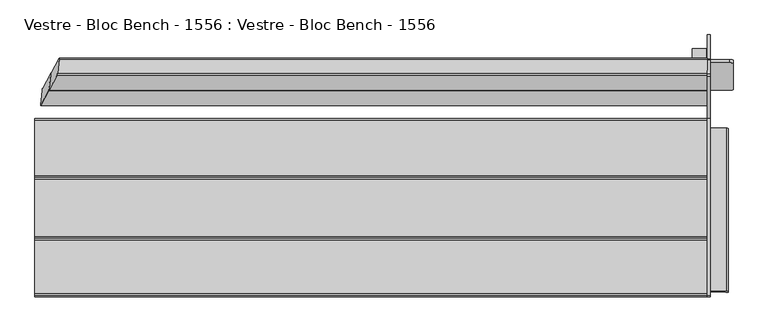
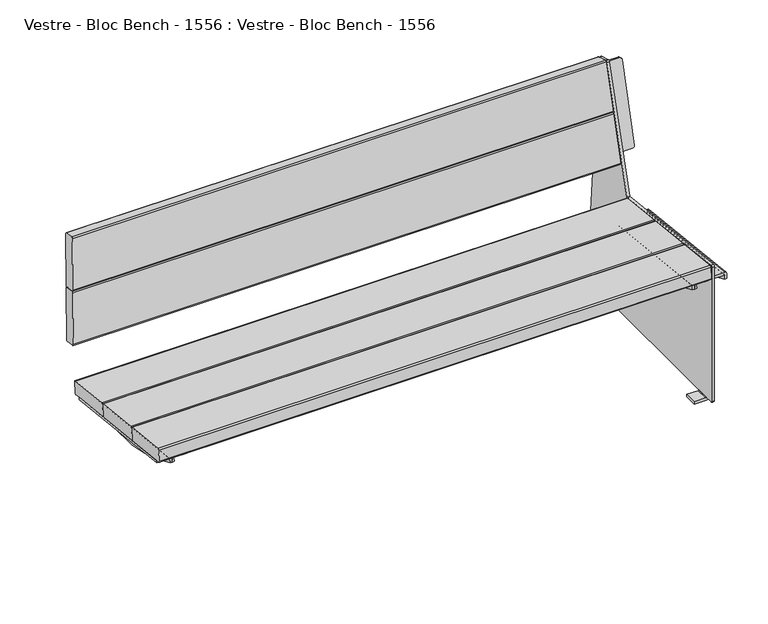
"""IFC4 building model written with IfcOpenShell, lengths in millimetres: furniture geometry, Vestre - Bloc Bench - 1556 : Vestre - Bloc Bench - 1556."""

from ifc_helpers import new_model, si_unit, point, frame, frame_2d, origin, place, context, project, spatial, polyline, circle_curve, ellipse_curve, trimmed, segment, composite_curve, outline, extrude, source, transform, mapped, element, save
from ifc_brep_helpers import plane_surface, cylinder_surface, revolved_surface, advanced_brep


def vestre_bloc_bench_1556_vestre_bloc_bench_1556_9735ced0(model_context):
    return source(origin(), model_context, "Body", "SolidModel", [
        advanced_brep(
        [(858.6003844, -303.3438949, 8.0), (821.9566967, -303.3438949, 8.0), (821.9566967, -303.3438949, 0.0), (859.6603529, -303.3438949, 0.0), (867.597952, -303.3438949, 8.2703475), (867.597952, -303.3438949, 9.9939083), (859.6028254, -303.3438949, 9.9939083), (859.6350395, -303.3438949, 9.0714168), (858.6003844, -263.3438949, 8.0), (859.6350395, -263.3438949, 9.0714168), (859.6028254, -263.3438949, 9.9939083), (867.597952, -263.3438949, 9.9939083), (867.597952, -263.3438949, 8.2703475), (859.6603529, -263.3438949, 0.0), (821.9566967, -263.3438949, 0.0), (821.9566967, -263.3438949, 8.0), (867.597952, 263.3438949, 9.9939083), (867.597952, 263.3438949, 8.2703475), (867.597952, 303.3438949, 8.2703475), (867.597952, 303.3438949, 9.9939083), (867.597952, 333.4689177, 9.9939083), (867.597952, 337.9730339, 14.8728063), (867.597952, 277.1566995, 774.9551128), (867.597952, 274.3468487, 778.4752692), (867.597952, 238.3303782, 789.7481242), (867.597952, 232.0299603, 786.3524949), (867.597952, 124.0037736, 409.002818), (867.597952, -328.5276597, 459.1940384), (867.597952, -333.3438949, 454.8824491), (867.597952, -333.3438949, 13.9003186), (867.597952, -329.4374846, 9.9939083), (867.597952, -319.7193007, 405.3521172), (867.597952, -318.9102447, 412.772865), (867.597952, 98.750138, 367.236938), (867.597952, 97.941082, 359.8161902), (867.597952, 274.7465208, 758.1308321), (867.597952, 204.7655811, 503.5745242), (867.597952, 196.4909665, 505.8493039), (867.597952, 266.4718966, 760.4056371), (859.6028254, -333.3438949, 454.8824491), (859.6028254, -328.5276597, 459.1940384), (859.6028254, 124.0037736, 409.002818), (859.6028254, 232.0299603, 786.3524949), (859.6028254, 238.3303782, 789.7481242), (859.6028254, 274.3468487, 778.4752692), (859.6028254, 277.1566995, 774.9551128), (859.6028254, 337.9730339, 14.8728063), (859.6028254, 333.4689177, 9.9939083), (859.6028254, 303.3438949, 9.9939083), (859.6028254, 263.3438949, 9.9939083), (859.6028254, -329.4374846, 9.9939083), (859.6028254, -333.3438949, 13.9003186), (859.6028254, 204.7656711, 503.5744995), (859.6028254, 274.7466108, 758.1308073), (859.6028254, 266.471912, 760.4056329), (859.6028254, 196.491047, 505.8493045), (858.6003844, 303.3438949, 8.0), (859.6350395, 303.3438949, 9.0714168), (859.6603529, 303.3438949, 0.0), (821.9566967, 303.3438949, 0.0), (821.9566967, 303.3438949, 8.0), (858.6003844, 263.3438949, 8.0), (821.9566967, 263.3438949, 8.0), (821.9566967, 263.3438949, 0.0), (859.6603529, 263.3438949, 0.0), (859.6350395, 263.3438949, 9.0714168), (906.6365161, -319.7193007, 405.3521172), (907.5875968, -319.8223825, 404.4066392), (907.5875968, -321.0984876, 392.7020678), (913.5831908, -321.0984876, 392.7020678), (913.5831908, -319.8564605, 404.0940726), (913.5831908, -319.3437805, 408.7964286), (909.5831908, -318.9102447, 412.772865), (909.5831908, 98.750138, 367.236938), (913.5831908, 98.3166022, 363.2605016), (913.5831908, 97.8039221, 358.5581456), (913.5831908, 96.5595156, 347.1443157), (907.5875968, 96.5595156, 347.1443157), (907.5875968, 97.8380001, 358.8707122), (906.6365161, 97.941082, 359.8161902), (917.9422477, 274.6803491, 758.1490236), (925.9422403, 272.5492033, 750.4381004), (925.9422403, 206.4783878, 510.1049054), (918.0109696, 204.6742237, 503.5014558), (917.9992716, 196.3996149, 505.7762566), (925.9305423, 198.2037791, 512.3797062), (925.9305423, 264.2745945, 752.7129012), (917.9305497, 266.4057403, 760.4238244), (809.1212977, 204.6742237, 503.5014558), (801.190027, 206.4783878, 510.1049054), (801.190027, 272.5492033, 750.4381004), (809.1900196, 274.6803491, 758.1490236), (809.2017175, 266.4057403, 760.4238244), (801.201725, 264.2745945, 752.7129012), (801.201725, 198.2037791, 512.3797062), (809.1329957, 196.3996149, 505.7762566)],
        [
            (0, 1),
            (1, 2),
            (2, 3),
            (3, 4, circle_curve(frame((859.32063, -303.3438949, 8.2703475), z_axis=(0.0, -1.0, 0.0), x_axis=(-1.0, 0.0, 0.0)), 8.277322)),
            (4, 5),
            (5, 6),
            (6, 7),
            (7, 0, circle_curve(frame((858.6003844, -303.3438949, 9.0352858), z_axis=(0.0, 1.0, 0.0), x_axis=(-1.0, 0.0, 0.0)), 1.0352858)),
            (8, 9, circle_curve(frame((858.6003844, -263.3438949, 9.0352858), z_axis=(0.0, -1.0, 0.0), x_axis=(-1.0, 0.0, 0.0)), 1.0352858)),
            (9, 10),
            (10, 11),
            (11, 12),
            (12, 13, circle_curve(frame((859.32063, -263.3438949, 8.2703475), z_axis=(0.0, 1.0, 0.0), x_axis=(-1.0, 0.0, 0.0)), 8.277322)),
            (13, 14),
            (14, 15),
            (15, 8),
            (7, 9),
            (8, 0),
            (6, 10),
            (2, 14),
            (13, 3),
            (1, 15),
            (4, 12),
            (11, 16),
            (16, 17),
            (17, 18),
            (18, 19),
            (19, 20),
            (20, 21, circle_curve(frame((867.597952, 333.4689177, 14.5124193), z_axis=(1.0, 0.0, 0.0), x_axis=(0.0, 1.0, 0.0)), 4.518511)),
            (21, 22),
            (22, 23, circle_curve(frame((867.597952, 273.1445925, 774.6340928), z_axis=(1.0, 0.0, 0.0), x_axis=(0.0, 1.0, 0.0)), 4.0249293)),
            (23, 24),
            (24, 25, circle_curve(frame((867.597952, 236.836866, 784.9763928), z_axis=(1.0, 0.0, 0.0), x_axis=(0.0, 1.0, 0.0)), 5.0)),
            (25, 26),
            (26, 27),
            (27, 28, circle_curve(frame((867.597952, -329.0058672, 454.8824491), z_axis=(1.0, 0.0, 0.0), x_axis=(0.0, 1.0, 0.0)), 4.3380277)),
            (28, 29),
            (29, 30, circle_curve(frame((867.597952, -329.4374846, 13.9003186), z_axis=(1.0, 0.0, 0.0), x_axis=(0.0, 1.0, 0.0)), 3.9064104)),
            (30, 5),
            (31, 32),
            (32, 33),
            (33, 34),
            (34, 31),
            (35, 36),
            (36, 37),
            (37, 38),
            (38, 35),
            (39, 40, circle_curve(frame((859.6028254, -329.0058672, 454.8824491), z_axis=(-1.0, 0.0, 0.0), x_axis=(0.0, 1.0, 0.0)), 4.3380277)),
            (40, 41),
            (41, 42),
            (42, 43, circle_curve(frame((859.6028254, 236.836866, 784.9763928), z_axis=(-1.0, 0.0, 0.0), x_axis=(0.0, 1.0, 0.0)), 5.0)),
            (43, 44),
            (44, 45, circle_curve(frame((859.6028254, 273.1445925, 774.6340928), z_axis=(-1.0, 0.0, 0.0), x_axis=(0.0, 1.0, 0.0)), 4.0249293)),
            (45, 46),
            (46, 47, circle_curve(frame((859.6028254, 333.4689177, 14.5124193), z_axis=(-1.0, 0.0, 0.0), x_axis=(0.0, 1.0, 0.0)), 4.518511)),
            (47, 48),
            (48, 49),
            (49, 10),
            (6, 50),
            (50, 51, circle_curve(frame((859.6028254, -329.4374846, 13.9003186), z_axis=(-1.0, 0.0, 0.0), x_axis=(0.0, 1.0, 0.0)), 3.9064104)),
            (51, 39),
            (52, 53),
            (53, 54),
            (54, 55),
            (55, 52),
            (28, 39),
            (51, 29),
            (50, 30),
            (49, 16),
            (47, 20),
            (19, 48),
            (46, 21),
            (45, 22),
            (44, 23),
            (43, 24),
            (42, 25),
            (41, 26),
            (40, 27),
            (56, 57, circle_curve(frame((858.6003844, 303.3438949, 9.0352858), z_axis=(0.0, -1.0, 0.0), x_axis=(-1.0, 0.0, 0.0)), 1.0352858)),
            (57, 48),
            (18, 58, circle_curve(frame((859.32063, 303.3438949, 8.2703475), z_axis=(0.0, 1.0, 0.0), x_axis=(-1.0, 0.0, 0.0)), 8.277322)),
            (58, 59),
            (59, 60),
            (60, 56),
            (61, 62),
            (62, 63),
            (63, 64),
            (64, 17, circle_curve(frame((859.32063, 263.3438949, 8.2703475), z_axis=(0.0, -1.0, 0.0), x_axis=(-1.0, 0.0, 0.0)), 8.277322)),
            (49, 65),
            (65, 61, circle_curve(frame((858.6003844, 263.3438949, 9.0352858), z_axis=(0.0, 1.0, 0.0), x_axis=(-1.0, 0.0, 0.0)), 1.0352858)),
            (56, 61),
            (65, 57),
            (58, 64),
            (63, 59),
            (62, 60),
            (31, 66),
            (66, 67, circle_curve(frame((906.6365161, -319.8223825, 404.4066392), z_axis=(0.0, 0.9941091089617909, -0.10838394474826071), x_axis=(0.0, -0.10838394474826071, -0.9941091089617909)), 0.9510807)),
            (67, 68),
            (68, 69),
            (69, 70),
            (70, 71),
            (71, 72, circle_curve(frame((909.5831908, -319.3437805, 408.7964286), z_axis=(0.0, -0.9941091089617909, 0.10838394474826071), x_axis=(0.0, -0.10838394474826071, -0.9941091089617909)), 4.0)),
            (72, 32),
            (33, 73),
            (73, 74, circle_curve(frame((909.5831908, 98.3166022, 363.2605016), z_axis=(0.0, 0.9941091089617909, -0.10838394474826071), x_axis=(0.0, -0.10838394474826071, -0.9941091089617909)), 4.0)),
            (74, 75),
            (75, 76),
            (76, 77),
            (77, 78),
            (78, 79, circle_curve(frame((906.6365161, 97.8380001, 358.8707122), z_axis=(0.0, -0.9941091089617909, 0.10838394474826071), x_axis=(0.0, -0.10838394474826071, -0.9941091089617909)), 0.9510807)),
            (79, 34),
            (79, 66),
            (78, 67),
            (77, 68, circle_curve(frame((907.5875968, -59.7670647, 851.2475639), z_axis=(-1.0, 0.0, 0.0), x_axis=(0.0, -1.0, 0.0)), 527.7860216)),
            (75, 70),
            (69, 76, circle_curve(frame((913.5831908, -59.7670647, 851.2475639), z_axis=(1.0, 0.0, 0.0), x_axis=(0.0, -1.0, 0.0)), 527.7860216)),
            (74, 71),
            (73, 72),
            (35, 80),
            (80, 81, circle_curve(frame((917.9422477, 272.5597183, 750.4352097), z_axis=(0.0013631459484884346, 0.9642258427672697, -0.2650786033856215), x_axis=(-0.9999990709161299, 0.001314381772166968, -0.0003613411599522734)), 8.0)),
            (81, 82),
            (82, 83, circle_curve(frame((918.0259929, 206.794831, 511.2152616), z_axis=(0.0013631459484884437, 0.9642258427672697, -0.2650786033856214), x_axis=(0.1443145567522505, 0.26211427827888556, 0.9541852093968657)), 8.0)),
            (83, 36),
            (37, 84),
            (84, 85, circle_curve(frame((918.0142949, 198.5202222, 513.4900624), z_axis=(-0.0013631459484884437, -0.9642258427672697, 0.2650786033856214), x_axis=(0.1443145567522505, 0.26211427827888556, 0.9541852093968657)), 8.0)),
            (85, 86),
            (86, 87, circle_curve(frame((917.9305497, 264.2851095, 752.7100105), z_axis=(-0.0013631459484884346, -0.9642258427672697, 0.2650786033856215), x_axis=(-0.9999990709161299, 0.001314381772166968, -0.0003613411599522734)), 8.0)),
            (87, 38),
            (82, 85),
            (84, 83),
            (81, 86),
            (80, 87),
            (52, 88),
            (88, 89, circle_curve(frame((809.1062744, 206.794831, 511.2152616), z_axis=(-0.0013631459484884367, 0.9642258427672697, -0.26507860338562145), x_axis=(-0.14431455675225052, 0.2621142782788856, 0.9541852093968657)), 8.0)),
            (89, 90),
            (90, 91, circle_curve(frame((809.1900196, 272.5597183, 750.4352097), z_axis=(-0.0013631459484884296, 0.9642258427672696, -0.2650786033856215), x_axis=(0.9999990709161299, 0.0013143817721669488, -0.0003613411599523246)), 8.0)),
            (91, 53),
            (54, 92),
            (92, 93, circle_curve(frame((809.2017175, 264.2851095, 752.7100105), z_axis=(0.0013631459484884296, -0.9642258427672696, 0.2650786033856215), x_axis=(0.9999990709161299, 0.0013143817721669488, -0.0003613411599523246)), 8.0)),
            (93, 94),
            (94, 95, circle_curve(frame((809.1179724, 198.5202222, 513.4900624), z_axis=(0.0013631459484884367, -0.9642258427672697, 0.26507860338562145), x_axis=(-0.14431455675225052, 0.2621142782788856, 0.9541852093968657)), 8.0)),
            (95, 55),
            (88, 95),
            (94, 89),
            (93, 90),
            (92, 91),
        ],
        [
            plane_surface(frame((821.9566967, -303.3438949, 8.0), z_axis=(0.0, -1.0, 0.0), x_axis=(-1.0, 0.0, 0.0))),
            plane_surface(frame((821.9566967, -263.3438949, 8.0), z_axis=(0.0, 1.0, 0.0), x_axis=(1.0, 0.0, 0.0))),
            revolved_surface(polyline([(857.5650986, -263.3438949, 9.0352858), (857.5650986, -303.3438949, 9.0352858)]), (858.6003844, -263.3438949, 9.0352858), (0.0, 1.0, 0.0)),
            plane_surface(frame((859.6028254, -303.3438949, 9.9939083), z_axis=(-0.9993908270190954, 0.0, -0.03489949670251134), x_axis=(0.0, 1.0, 0.0))),
            plane_surface(frame((821.9566967, -303.3438949, 0.0), z_axis=(0.0, 0.0, -1.0), x_axis=(0.0, 1.0, 0.0))),
            plane_surface(frame((821.9566967, -303.3438949, 8.0), z_axis=(-1.0, 0.0, 0.0), x_axis=(0.0, 1.0, 0.0))),
            plane_surface(frame((858.6003844, -303.3438949, 8.0), z_axis=(0.0, 0.0, 1.0), x_axis=(0.0, 1.0, 0.0))),
            plane_surface(frame((867.597952, -303.3438949, 8.2703475), z_axis=(1.0, 0.0, 0.0), x_axis=(0.0, 1.0, 0.0))),
            cylinder_surface(frame((859.32063, -263.3438949, 8.2703475), z_axis=(0.0, -1.0, 0.0), x_axis=(-1.0, 0.0, 0.0)), 8.277322),
            plane_surface(frame((859.6028254, -333.3438949, 13.9914716), z_axis=(-1.0, 0.0, 0.0), x_axis=(0.0, 0.0, 1.0))),
            plane_surface(frame((867.597952, -333.3438949, 454.8824491), z_axis=(0.0, -1.0, 0.0), x_axis=(-1.0, 0.0, 0.0))),
            cylinder_surface(frame((859.6028254, -329.4374846, 13.9003186), z_axis=(1.0, 0.0, 0.0), x_axis=(0.0, 1.0, 0.0)), 3.9064104),
            plane_surface(frame((867.597952, -329.4374846, 9.9939083), z_axis=(0.0, 0.0, -1.0), x_axis=(-1.0, 0.0, 0.0))),
            cylinder_surface(frame((859.6028254, 333.4689177, 14.5124193), z_axis=(1.0, 0.0, 0.0), x_axis=(0.0, 1.0, 0.0)), 4.518511),
            plane_surface(frame((867.597952, 337.9730339, 14.8728063), z_axis=(0.0, 0.9968142620318139, 0.07975792756817575), x_axis=(-1.0, 0.0, 0.0))),
            cylinder_surface(frame((859.6028254, 273.1445925, 774.6340928), z_axis=(1.0, 0.0, 0.0), x_axis=(0.0, 1.0, 0.0)), 4.0249293),
            plane_surface(frame((867.597952, 274.3468487, 778.4752692), z_axis=(0.0, 0.2987024356250177, 0.9543462971855039), x_axis=(-1.0, 0.0, 0.0))),
            cylinder_surface(frame((859.6028254, 236.836866, 784.9763928), z_axis=(1.0, 0.0, 0.0), x_axis=(0.0, 1.0, 0.0)), 5.0),
            plane_surface(frame((867.597952, 232.0299603, 786.3524949), z_axis=(0.0, -0.9613811502291254, 0.275220427992044), x_axis=(-1.0, 0.0, 0.0))),
            plane_surface(frame((867.597952, 124.0037736, 409.002818), z_axis=(0.0, 0.1102361569197732, 0.9939054229188807), x_axis=(-1.0, 0.0, 0.0))),
            cylinder_surface(frame((859.6028254, -329.0058672, 454.8824491), z_axis=(1.0, 0.0, 0.0), x_axis=(0.0, 1.0, 0.0)), 4.3380277),
            plane_surface(frame((857.5650985, 303.3438949, 9.0352858), z_axis=(0.0, 1.0, 0.0), x_axis=(0.0, 0.0, -1.0))),
            plane_surface(frame((857.5650985, 263.3438949, 9.0352858), z_axis=(0.0, -1.0, 0.0), x_axis=(0.0, 0.0, 1.0))),
            revolved_surface(polyline([(857.5650986, 263.3438949, 9.0352858), (857.5650986, 303.3438949, 9.0352858)]), (858.6003844, 263.3438949, 9.0352858), (0.0, -1.0, 0.0)),
            plane_surface(frame((859.6350395, 303.3438949, 9.0714168), z_axis=(-0.9993908270190954, 0.0, -0.03489949670251134), x_axis=(0.0, -1.0, 0.0))),
            plane_surface(frame((859.6603529, 303.3438949, 0.0), z_axis=(0.0, 0.0, -1.0), x_axis=(0.0, -1.0, 0.0))),
            plane_surface(frame((821.9566967, 303.3438949, 0.0), z_axis=(-1.0, 0.0, 0.0), x_axis=(0.0, -1.0, 0.0))),
            plane_surface(frame((821.9566967, 303.3438949, 8.0), z_axis=(0.0, 0.0, 1.0), x_axis=(0.0, -1.0, 0.0))),
            cylinder_surface(frame((859.32063, 263.3438949, 8.2703475), z_axis=(0.0, 1.0, 0.0), x_axis=(-1.0, 0.0, 0.0)), 8.277322),
            plane_surface(frame((867.597952, -319.8423819, 404.223203), z_axis=(0.0, -0.9941091089617909, 0.10838394474826071), x_axis=(0.0, -0.10838394474826071, -0.9941091089617909))),
            plane_surface(frame((867.597952, 97.8180007, 358.6872759), z_axis=(0.0, 0.9941091089617909, -0.10838394474826071), x_axis=(0.0, 0.10838394474826071, 0.9941091089617909))),
            plane_surface(frame((867.597952, -319.7193007, 405.3521172), z_axis=(0.0, -0.10838394474826069, -0.994109108961791), x_axis=(0.0, 0.994109108961791, -0.10838394474826069))),
            revolved_surface(polyline([(906.6365161, 97.73491824228601, 357.9252342105562), (906.6365161, -319.92546445485533, 403.46116123677587)]), (906.6365161, 97.8380001, 358.8707122), (0.0, 0.9941091089617909, -0.10838394474826071)),
            plane_surface(frame((907.5875968, -319.8223825, 404.4066392), z_axis=(-1.0000000000000002, 0.0, 0.0), x_axis=(0.0, 0.994109108961791, -0.10838394474826064))),
            plane_surface(frame((913.5831908, -320.2027771, 400.9176199), z_axis=(1.0000000000000002, 0.0, 0.0), x_axis=(0.0, 0.994109108961791, -0.10838394474826066))),
            plane_surface(frame((913.5831908, -319.8564605, 404.0940726), z_axis=(1.0000000000000002, 0.0, 0.0), x_axis=(0.0, 0.994109108961791, -0.10838394474826066))),
            cylinder_surface(frame((909.5831908, 98.3166022, 363.2605016), z_axis=(0.0, -0.9941091089617909, 0.10838394474826071), x_axis=(0.0, -0.10838394474826071, -0.9941091089617909)), 4.0),
            plane_surface(frame((909.5831908, -318.9102447, 412.772865), z_axis=(0.0, 0.10838394474826066, 0.994109108961791), x_axis=(0.0, 0.994109108961791, -0.10838394474826066))),
            cylinder_surface(frame((907.5875968, -59.7670647, 851.2475639), z_axis=(1.0, 0.0, 0.0), x_axis=(0.0, -1.0, 0.0)), 527.7860216),
            plane_surface(frame((867.597952, 204.7655811, 503.5745242), z_axis=(0.0013631459484884229, 0.9642258427672697, -0.2650786033856215), x_axis=(0.0, 0.265078849666105, 0.9642267386147796))),
            plane_surface(frame((867.586254, 196.4909723, 505.8493251), z_axis=(-0.0013631459484884229, -0.9642258427672697, 0.2650786033856215), x_axis=(0.0, -0.265078849666105, -0.9642267386147796))),
            cylinder_surface(frame((918.0142949, 198.5202222, 513.4900624), z_axis=(0.0013631459484884437, 0.9642258427672697, -0.2650786033856214), x_axis=(0.1443145567522505, 0.26211427827888556, 0.9541852093968657)), 8.0),
            plane_surface(frame((918.0109696, 204.6742237, 503.5014558), z_axis=(-0.0018779099002744297, -0.2650759139656611, -0.964225716982116), x_axis=(-0.001363145948494428, -0.9642258427672704, 0.2650786033856188))),
            plane_surface(frame((925.9422403, 272.5492033, 750.4381004), z_axis=(0.9999990709161299, -0.0013143817721731643, 0.000361341159952344), x_axis=(-0.001363145948494428, -0.9642258427672704, 0.2650786033856188))),
            cylinder_surface(frame((917.9305497, 264.2851095, 752.7100105), z_axis=(0.0013631459484884346, 0.9642258427672697, -0.2650786033856215), x_axis=(-0.9999990709161299, 0.001314381772166968, -0.0003613411599522734)), 8.0),
            plane_surface(frame((867.597952, 274.7465208, 758.1308321), z_axis=(0.0, 0.2650788496661023, 0.9642267386147803), x_axis=(-0.001363145948494428, -0.9642258427672704, 0.2650786033856188))),
            plane_surface(frame((809.1212977, 204.6742237, 503.5014558), z_axis=(-0.0013631459484884298, 0.9642258427672697, -0.2650786033856215), x_axis=(-0.9999973076401404, -0.0018121741131813017, -0.0014493920980689576))),
            plane_surface(frame((809.1329957, 196.3996149, 505.7762566), z_axis=(0.0013631459484884298, -0.9642258427672697, 0.2650786033856215), x_axis=(0.9999973076401404, 0.0018121741131813017, 0.0014493920980689576))),
            cylinder_surface(frame((809.1179724, 198.5202222, 513.4900624), z_axis=(-0.0013631459484884367, 0.9642258427672697, -0.26507860338562145), x_axis=(-0.14431455675225052, 0.2621142782788856, 0.9541852093968657)), 8.0),
            plane_surface(frame((859.5343152, 204.7655811, 503.5745242), z_axis=(0.0018779099002744347, -0.2650759139656611, -0.964225716982116), x_axis=(0.001363145948494428, -0.9642258427672704, 0.2650786033856188))),
            plane_surface(frame((801.190027, 206.4783878, 510.1049054), z_axis=(-0.9999990709161299, -0.0013143817721731645, 0.00036134115995234395), x_axis=(0.001363145948494428, -0.9642258427672704, 0.2650786033856188))),
            cylinder_surface(frame((809.2017175, 264.2851095, 752.7100105), z_axis=(-0.0013631459484884296, 0.9642258427672696, -0.2650786033856215), x_axis=(0.9999990709161299, 0.0013143817721669488, -0.0003613411599523246)), 8.0),
            plane_surface(frame((809.1900196, 274.6803491, 758.1490236), z_axis=(0.0, 0.2650788496661023, 0.9642267386147803), x_axis=(0.001363145948494428, -0.9642258427672704, 0.2650786033856188))),
        ],
        [
            (0, [[1, 2, 3, 4, 5, 6, 7, 8]]),
            (1, [[9, 10, 11, 12, 13, 14, 15, 16]]),
            (2, [[-8, 17, -9, 18]]),
            (3, [[-7, 19, -10, -17]]),
            (4, [[-3, 20, -14, 21]]),
            (5, [[-2, 22, -15, -20]]),
            (6, [[-1, -18, -16, -22]]),
            (7, [[23, -12, 24, 25, 26, 27, 28, 29, 30, 31, 32, 33, 34, 35, 36, 37, 38, 39, -5], [40, 41, 42, 43], [44, 45, 46, 47]]),
            (8, [[-4, -21, -13, -23]]),
            (9, [[48, 49, 50, 51, 52, 53, 54, 55, 56, 57, 58, -19, 59, 60, 61], [62, 63, 64, 65]]),
            (10, [[-37, 66, -61, 67]]),
            (11, [[-38, -67, -60, 68]]),
            (12, [[-11, -58, 69, -24]]),
            (12, [[-68, -59, -6, -39]]),
            (12, [[70, -28, 71, -56]]),
            (13, [[-29, -70, -55, 72]]),
            (14, [[-30, -72, -54, 73]]),
            (15, [[-31, -73, -53, 74]]),
            (16, [[-32, -74, -52, 75]]),
            (17, [[-33, -75, -51, 76]]),
            (18, [[-34, -76, -50, 77]]),
            (19, [[-35, -77, -49, 78]]),
            (20, [[-36, -78, -48, -66]]),
            (21, [[79, 80, -71, -27, 81, 82, 83, 84]]),
            (22, [[85, 86, 87, 88, -25, -69, 89, 90]]),
            (23, [[-79, 91, -90, 92]]),
            (24, [[-80, -92, -89, -57]]),
            (25, [[-82, 93, -87, 94]]),
            (26, [[-83, -94, -86, 95]]),
            (27, [[-84, -95, -85, -91]]),
            (28, [[-81, -26, -88, -93]]),
            (29, [[96, 97, 98, 99, 100, 101, 102, 103, -40]]),
            (30, [[104, 105, 106, 107, 108, 109, 110, 111, -42]]),
            (31, [[-96, -43, -111, 112]]),
            (32, [[-97, -112, -110, 113]]),
            (33, [[-113, -109, 114, -98]]),
            (34, [[115, -100, 116, -107]]),
            (35, [[-101, -115, -106, 117]]),
            (36, [[-102, -117, -105, 118]]),
            (37, [[-103, -118, -104, -41]]),
            (38, [[-116, -99, -114, -108]]),
            (39, [[119, 120, 121, 122, 123, -44]]),
            (40, [[124, 125, 126, 127, 128, -46]]),
            (41, [[-122, 129, -125, 130]]),
            (42, [[-123, -130, -124, -45]]),
            (43, [[-121, 131, -126, -129]]),
            (44, [[-120, 132, -127, -131]]),
            (45, [[-119, -47, -128, -132]]),
            (46, [[133, 134, 135, 136, 137, -62]]),
            (47, [[138, 139, 140, 141, 142, -64]]),
            (48, [[-134, 143, -141, 144]]),
            (49, [[-133, -65, -142, -143]]),
            (50, [[-135, -144, -140, 145]]),
            (51, [[-136, -145, -139, 146]]),
            (52, [[-137, -146, -138, -63]]),
        ],
    ),
        advanced_brep(
        [(859.6028254, -318.9270883, 412.6183739), (817.6175866, -318.9270883, 412.6183739), (813.6175866, -319.360624, 408.6419375), (813.6175866, -319.8564605, 404.0940726), (813.6175866, -321.0984876, 392.7020678), (819.6131806, -321.0984876, 392.7020678), (819.6131806, -319.8223825, 404.4066392), (820.5642613, -319.7193007, 405.3521172), (859.6028254, -319.7193007, 405.3521172), (859.6028254, 98.7332944, 367.0824469), (859.6028254, 97.941082, 359.8161902), (820.5642613, 97.941082, 359.8161902), (819.6131806, 97.8380001, 358.8707122), (819.6131806, 96.5595156, 347.1443157), (813.6175866, 96.5595156, 347.1443157), (813.6175866, 97.8039221, 358.5581456), (813.6175866, 98.2997586, 363.1060105), (817.6175866, 98.7332944, 367.0824469)],
        [
            (0, 1),
            (1, 2, circle_curve(frame((817.6175866, -319.360624, 408.6419375), z_axis=(0.0, -0.9941091089617909, 0.10838394474826071), x_axis=(0.0, -0.10838394474826071, -0.9941091089617909)), 4.0)),
            (2, 3),
            (3, 4),
            (4, 5),
            (5, 6),
            (6, 7, circle_curve(frame((820.5642613, -319.8223825, 404.4066392), z_axis=(0.0, 0.9941091089617909, -0.10838394474826071), x_axis=(0.0, -0.10838394474826071, -0.9941091089617909)), 0.9510807)),
            (7, 8),
            (8, 0),
            (9, 10),
            (10, 11),
            (11, 12, circle_curve(frame((820.5642613, 97.8380001, 358.8707122), z_axis=(0.0, -0.9941091089617909, 0.10838394474826071), x_axis=(0.0, -0.10838394474826071, -0.9941091089617909)), 0.9510807)),
            (12, 13),
            (13, 14),
            (14, 15),
            (15, 16),
            (16, 17, circle_curve(frame((817.6175866, 98.2997586, 363.1060105), z_axis=(0.0, 0.9941091089617909, -0.10838394474826071), x_axis=(0.0, -0.10838394474826071, -0.9941091089617909)), 4.0)),
            (17, 9),
            (8, 10),
            (9, 0),
            (7, 11),
            (6, 12),
            (5, 13, circle_curve(frame((819.6131806, -59.7670647, 851.2475639), z_axis=(1.0, 0.0, 0.0), x_axis=(0.0, -1.0, 0.0)), 527.7860216)),
            (3, 15),
            (14, 4, circle_curve(frame((813.6175866, -59.7670647, 851.2475639), z_axis=(-1.0, 0.0, 0.0), x_axis=(0.0, -1.0, 0.0)), 527.7860216)),
            (2, 16),
            (1, 17),
        ],
        [
            plane_surface(frame((813.6175929, -318.9270883, 412.6183739), z_axis=(0.0, -0.9941091089617909, 0.10838394474826071), x_axis=(-1.0, 0.0, 0.0))),
            plane_surface(frame((813.6175929, 98.7332944, 367.0824469), z_axis=(0.0, 0.9941091089617909, -0.10838394474826071), x_axis=(1.0, 0.0, 0.0))),
            plane_surface(frame((859.6028254, -319.7193007, 405.3521172), z_axis=(1.0000000000000002, 0.0, 0.0), x_axis=(0.0, 0.994109108961791, -0.10838394474826066))),
            plane_surface(frame((820.5642613, -319.7193007, 405.3521172), z_axis=(0.0, -0.10838394474826066, -0.994109108961791), x_axis=(0.0, 0.994109108961791, -0.10838394474826066))),
            revolved_surface(polyline([(820.5642613, 97.73491824228601, 357.9252342105562), (820.5642613, -319.92546445485533, 403.46116123677587)]), (820.5642613, 97.8380001, 358.8707122), (0.0, 0.9941091089617909, -0.10838394474826071)),
            plane_surface(frame((819.6131806, -320.2027771, 400.9176199), z_axis=(1.0000000000000002, 0.0, 0.0), x_axis=(0.0, 0.994109108961791, -0.10838394474826066))),
            plane_surface(frame((813.6175866, -319.8564605, 404.0940726), z_axis=(-1.0000000000000002, 0.0, 0.0), x_axis=(0.0, 0.994109108961791, -0.10838394474826064))),
            plane_surface(frame((813.6175866, -319.360624, 408.6419375), z_axis=(-1.0000000000000002, 0.0, 0.0), x_axis=(0.0, 0.994109108961791, -0.10838394474826066))),
            cylinder_surface(frame((817.6175866, 98.2997586, 363.1060105), z_axis=(0.0, -0.9941091089617909, 0.10838394474826071), x_axis=(0.0, -0.10838394474826071, -0.9941091089617909)), 4.0),
            plane_surface(frame((859.6028254, -318.9270883, 412.6183739), z_axis=(0.0, 0.10838394474826066, 0.994109108961791), x_axis=(0.0, 0.994109108961791, -0.10838394474826066))),
            cylinder_surface(frame((819.6131806, -59.7670647, 851.2475639), z_axis=(-1.0, 0.0, 0.0), x_axis=(0.0, -1.0, 0.0)), 527.7860216),
        ],
        [
            (0, [[1, 2, 3, 4, 5, 6, 7, 8, 9]]),
            (1, [[10, 11, 12, 13, 14, 15, 16, 17, 18]]),
            (2, [[-9, 19, -10, 20]]),
            (3, [[-8, 21, -11, -19]]),
            (4, [[-7, 22, -12, -21]]),
            (5, [[-13, -22, -6, 23]]),
            (6, [[-4, 24, -15, 25]]),
            (7, [[-3, 26, -16, -24]]),
            (8, [[-2, 27, -17, -26]]),
            (9, [[-1, -20, -18, -27]]),
            (10, [[-25, -14, -23, -5]]),
        ],
    ),
        advanced_brep(
        [(766.5577736, -318.9102447, 412.772865), (766.5577736, -319.7193007, 405.3521172), (805.5963377, -319.7193007, 405.3521172), (806.5474184, -319.8223825, 404.4066392), (806.5474184, -321.0984876, 392.7020678), (812.5430123, -321.0984876, 392.7020678), (812.5430123, -319.8564605, 404.0940726), (812.5430123, -319.3437805, 408.7964286), (808.5430123, -318.9102447, 412.772865), (766.5577736, 98.750138, 367.236938), (808.5430123, 98.750138, 367.236938), (812.5430123, 98.3166022, 363.2605016), (812.5430123, 97.8039221, 358.5581456), (812.5430123, 96.5595156, 347.1443157), (806.5474184, 96.5595156, 347.1443157), (806.5474184, 97.8380001, 358.8707122), (805.5963377, 97.941082, 359.8161902), (766.5577736, 97.941082, 359.8161902)],
        [
            (0, 1),
            (1, 2),
            (2, 3, circle_curve(frame((805.5963377, -319.8223825, 404.4066392), z_axis=(0.0, 0.9941091089617909, -0.10838394474826071), x_axis=(0.0, -0.10838394474826071, -0.9941091089617909)), 0.9510807)),
            (3, 4),
            (4, 5),
            (5, 6),
            (6, 7),
            (7, 8, circle_curve(frame((808.5430123, -319.3437805, 408.7964286), z_axis=(0.0, -0.9941091089617909, 0.10838394474826071), x_axis=(0.0, -0.10838394474826071, -0.9941091089617909)), 4.0)),
            (8, 0),
            (9, 10),
            (10, 11, circle_curve(frame((808.5430123, 98.3166022, 363.2605016), z_axis=(0.0, 0.9941091089617909, -0.10838394474826071), x_axis=(0.0, -0.10838394474826071, -0.9941091089617909)), 4.0)),
            (11, 12),
            (12, 13),
            (13, 14),
            (14, 15),
            (15, 16, circle_curve(frame((805.5963377, 97.8380001, 358.8707122), z_axis=(0.0, -0.9941091089617909, 0.10838394474826071), x_axis=(0.0, -0.10838394474826071, -0.9941091089617909)), 0.9510807)),
            (16, 17),
            (17, 9),
            (0, 9),
            (17, 1),
            (16, 2),
            (15, 3),
            (14, 4, circle_curve(frame((806.5474184, -59.7670647, 851.2475639), z_axis=(-1.0, 0.0, 0.0), x_axis=(0.0, -1.0, 0.0)), 527.7860216)),
            (5, 13, circle_curve(frame((812.5430123, -59.7670647, 851.2475639), z_axis=(1.0, 0.0, 0.0), x_axis=(0.0, -1.0, 0.0)), 527.7860216)),
            (12, 6),
            (11, 7),
            (10, 8),
        ],
        [
            plane_surface(frame((766.5577736, -319.8423819, 404.223203), z_axis=(0.0, -0.9941091089617909, 0.10838394474826071), x_axis=(0.0, -0.10838394474826071, -0.9941091089617909))),
            plane_surface(frame((766.5577736, 97.8180007, 358.6872759), z_axis=(0.0, 0.9941091089617909, -0.10838394474826071), x_axis=(0.0, 0.10838394474826071, 0.9941091089617909))),
            plane_surface(frame((766.5577736, -318.9102447, 412.772865), z_axis=(-1.0000000000000002, 0.0, 0.0), x_axis=(0.0, 0.994109108961791, -0.10838394474826066))),
            plane_surface(frame((766.5577736, -319.7193007, 405.3521172), z_axis=(0.0, -0.10838394474826069, -0.994109108961791), x_axis=(0.0, 0.994109108961791, -0.10838394474826069))),
            revolved_surface(polyline([(805.5963377, 97.73491824228601, 357.9252342105562), (805.5963377, -319.92546445485533, 403.46116123677587)]), (805.5963377, 97.8380001, 358.8707122), (0.0, 0.9941091089617909, -0.10838394474826071)),
            plane_surface(frame((806.5474184, -319.8223825, 404.4066392), z_axis=(-1.0000000000000002, 0.0, 0.0), x_axis=(0.0, 0.994109108961791, -0.10838394474826064))),
            plane_surface(frame((812.5430123, -320.2027771, 400.9176199), z_axis=(1.0000000000000002, 0.0, 0.0), x_axis=(0.0, 0.994109108961791, -0.10838394474826066))),
            plane_surface(frame((812.5430123, -319.8564605, 404.0940726), z_axis=(1.0000000000000002, 0.0, 0.0), x_axis=(0.0, 0.994109108961791, -0.10838394474826066))),
            cylinder_surface(frame((808.5430123, 98.3166022, 363.2605016), z_axis=(0.0, -0.9941091089617909, 0.10838394474826071), x_axis=(0.0, -0.10838394474826071, -0.9941091089617909)), 4.0),
            plane_surface(frame((808.5430123, -318.9102447, 412.772865), z_axis=(0.0, 0.10838394474826066, 0.994109108961791), x_axis=(0.0, 0.994109108961791, -0.10838394474826066))),
            cylinder_surface(frame((806.5474184, -59.7670647, 851.2475639), z_axis=(1.0, 0.0, 0.0), x_axis=(0.0, -1.0, 0.0)), 527.7860216),
        ],
        [
            (0, [[1, 2, 3, 4, 5, 6, 7, 8, 9]]),
            (1, [[10, 11, 12, 13, 14, 15, 16, 17, 18]]),
            (2, [[-1, 19, -18, 20]]),
            (3, [[-2, -20, -17, 21]]),
            (4, [[-3, -21, -16, 22]]),
            (5, [[-4, -22, -15, 23]]),
            (6, [[-6, 24, -13, 25]]),
            (7, [[-7, -25, -12, 26]]),
            (8, [[-8, -26, -11, 27]]),
            (9, [[-9, -27, -10, -19]]),
            (10, [[-24, -5, -23, -14]]),
        ],
    ),
        advanced_brep(
        [(-766.5577736, -318.8898286, 412.9601231), (-808.5430123, -318.8898286, 412.9601231), (-812.5430123, -319.3233644, 408.9836866), (-812.5430123, -319.8564605, 404.0940726), (-812.5430123, -321.0984876, 392.7020678), (-806.5474184, -321.0984876, 392.7020678), (-806.5474184, -319.8223825, 404.4066392), (-805.5963377, -319.7193007, 405.3521172), (-766.5577736, -319.7193007, 405.3521172), (-766.5577736, 98.770554, 367.4241961), (-766.5577736, 97.941082, 359.8161902), (-805.5963377, 97.941082, 359.8161902), (-806.5474184, 97.8380001, 358.8707122), (-806.5474184, 96.5595156, 347.1443157), (-812.5430123, 96.5595156, 347.1443157), (-812.5430123, 97.8039221, 358.5581456), (-812.5430123, 98.3370182, 363.4477596), (-808.5430123, 98.770554, 367.4241961)],
        [
            (0, 1),
            (1, 2, circle_curve(frame((-808.5430123, -319.3233644, 408.9836866), z_axis=(0.0, -0.9941091089617909, 0.10838394474826071), x_axis=(0.0, -0.10838394474826071, -0.9941091089617909)), 4.0)),
            (2, 3),
            (3, 4),
            (4, 5),
            (5, 6),
            (6, 7, circle_curve(frame((-805.5963377, -319.8223825, 404.4066392), z_axis=(0.0, 0.9941091089617909, -0.10838394474826071), x_axis=(0.0, -0.10838394474826071, -0.9941091089617909)), 0.9510807)),
            (7, 8),
            (8, 0),
            (9, 10),
            (10, 11),
            (11, 12, circle_curve(frame((-805.5963377, 97.8380001, 358.8707122), z_axis=(0.0, -0.9941091089617909, 0.10838394474826071), x_axis=(0.0, -0.10838394474826071, -0.9941091089617909)), 0.9510807)),
            (12, 13),
            (13, 14),
            (14, 15),
            (15, 16),
            (16, 17, circle_curve(frame((-808.5430123, 98.3370182, 363.4477596), z_axis=(0.0, 0.9941091089617909, -0.10838394474826071), x_axis=(0.0, -0.10838394474826071, -0.9941091089617909)), 4.0)),
            (17, 9),
            (8, 10),
            (9, 0),
            (7, 11),
            (6, 12),
            (5, 13, circle_curve(frame((-806.5474184, -59.7670647, 851.2475639), z_axis=(1.0, 0.0, 0.0), x_axis=(0.0, -1.0, 0.0)), 527.7860216)),
            (3, 15),
            (14, 4, circle_curve(frame((-812.5430123, -59.7670647, 851.2475639), z_axis=(-1.0, 0.0, 0.0), x_axis=(0.0, -1.0, 0.0)), 527.7860216)),
            (2, 16),
            (1, 17),
        ],
        [
            plane_surface(frame((-812.5430123, -318.8898286, 412.9601231), z_axis=(0.0, -0.9941091089617909, 0.10838394474826071), x_axis=(-1.0, 0.0, 0.0))),
            plane_surface(frame((-812.5430123, 98.770554, 367.4241961), z_axis=(0.0, 0.9941091089617909, -0.10838394474826071), x_axis=(1.0, 0.0, 0.0))),
            plane_surface(frame((-766.5577736, -319.7193007, 405.3521172), z_axis=(1.0000000000000002, 0.0, 0.0), x_axis=(0.0, 0.994109108961791, -0.10838394474826069))),
            plane_surface(frame((-805.5963377, -319.7193007, 405.3521172), z_axis=(0.0, -0.10838394474826069, -0.994109108961791), x_axis=(0.0, 0.994109108961791, -0.10838394474826069))),
            revolved_surface(polyline([(-805.5963377, 97.73491824228601, 357.9252342105562), (-805.5963377, -319.92546445485533, 403.46116123677587)]), (-805.5963377, 97.8380001, 358.8707122), (0.0, 0.9941091089617909, -0.10838394474826071)),
            plane_surface(frame((-806.5474184, -320.2027771, 400.9176199), z_axis=(1.0000000000000002, 0.0, 0.0), x_axis=(0.0, 0.994109108961791, -0.10838394474826066))),
            plane_surface(frame((-812.5430123, -319.8564605, 404.0940726), z_axis=(-1.0000000000000002, 0.0, 0.0), x_axis=(0.0, 0.994109108961791, -0.10838394474826066))),
            plane_surface(frame((-812.5430123, -319.3233644, 408.9836866), z_axis=(-1.0000000000000002, 0.0, 0.0), x_axis=(0.0, 0.994109108961791, -0.10838394474826066))),
            cylinder_surface(frame((-808.5430123, 98.3370182, 363.4477596), z_axis=(0.0, -0.9941091089617909, 0.10838394474826071), x_axis=(0.0, -0.10838394474826071, -0.9941091089617909)), 4.0),
            plane_surface(frame((-766.5577736, -318.8898286, 412.9601231), z_axis=(0.0, 0.10838394474826066, 0.994109108961791), x_axis=(0.0, 0.994109108961791, -0.10838394474826066))),
            cylinder_surface(frame((-806.5474184, -59.7670647, 851.2475639), z_axis=(-1.0, 0.0, 0.0), x_axis=(0.0, -1.0, 0.0)), 527.7860216),
        ],
        [
            (0, [[1, 2, 3, 4, 5, 6, 7, 8, 9]]),
            (1, [[10, 11, 12, 13, 14, 15, 16, 17, 18]]),
            (2, [[-9, 19, -10, 20]]),
            (3, [[-8, 21, -11, -19]]),
            (4, [[-7, 22, -12, -21]]),
            (5, [[-13, -22, -6, 23]]),
            (6, [[-4, 24, -15, 25]]),
            (7, [[-3, 26, -16, -24]]),
            (8, [[-2, 27, -17, -26]]),
            (9, [[-1, -20, -18, -27]]),
            (10, [[-25, -14, -23, -5]]),
        ],
    ),
        advanced_brep(
        [(-859.6028254, -318.8982426, 412.8829495), (-859.6028254, -319.7193007, 405.3521172), (-820.5642613, -319.7193007, 405.3521172), (-819.6131806, -319.8223825, 404.4066392), (-819.6131806, -321.0984876, 392.7020678), (-813.6175866, -321.0984876, 392.7020678), (-813.6175866, -319.8564605, 404.0940726), (-813.6175866, -319.3317784, 408.9065131), (-817.6175866, -318.8982426, 412.8829495), (-859.6028254, 98.76214, 367.3470225), (-817.6175866, 98.76214, 367.3470225), (-813.6175866, 98.3286043, 363.3705861), (-813.6175866, 97.8039221, 358.5581456), (-813.6175866, 96.5595156, 347.1443157), (-819.6131806, 96.5595156, 347.1443157), (-819.6131806, 97.8380001, 358.8707122), (-820.5642613, 97.941082, 359.8161902), (-859.6028254, 97.941082, 359.8161902)],
        [
            (0, 1),
            (1, 2),
            (2, 3, circle_curve(frame((-820.5642613, -319.8223825, 404.4066392), z_axis=(0.0, 0.9941091089617909, -0.10838394474826071), x_axis=(0.0, -0.10838394474826071, -0.9941091089617909)), 0.9510807)),
            (3, 4),
            (4, 5),
            (5, 6),
            (6, 7),
            (7, 8, circle_curve(frame((-817.6175866, -319.3317784, 408.9065131), z_axis=(0.0, -0.9941091089617909, 0.10838394474826071), x_axis=(0.0, -0.10838394474826071, -0.9941091089617909)), 4.0)),
            (8, 0),
            (9, 10),
            (10, 11, circle_curve(frame((-817.6175866, 98.3286043, 363.3705861), z_axis=(0.0, 0.9941091089617909, -0.10838394474826071), x_axis=(0.0, -0.10838394474826071, -0.9941091089617909)), 4.0)),
            (11, 12),
            (12, 13),
            (13, 14),
            (14, 15),
            (15, 16, circle_curve(frame((-820.5642613, 97.8380001, 358.8707122), z_axis=(0.0, -0.9941091089617909, 0.10838394474826071), x_axis=(0.0, -0.10838394474826071, -0.9941091089617909)), 0.9510807)),
            (16, 17),
            (17, 9),
            (0, 9),
            (17, 1),
            (16, 2),
            (15, 3),
            (14, 4, circle_curve(frame((-819.6131806, -59.7670647, 851.2475639), z_axis=(-1.0, 0.0, 0.0), x_axis=(0.0, -1.0, 0.0)), 527.7860216)),
            (5, 13, circle_curve(frame((-813.6175866, -59.7670647, 851.2475639), z_axis=(1.0, 0.0, 0.0), x_axis=(0.0, -1.0, 0.0)), 527.7860216)),
            (12, 6),
            (11, 7),
            (10, 8),
        ],
        [
            plane_surface(frame((-859.6028254, -319.8423819, 404.223203), z_axis=(0.0, -0.9941091089617909, 0.10838394474826071), x_axis=(0.0, -0.10838394474826071, -0.9941091089617909))),
            plane_surface(frame((-859.6028254, 97.8180007, 358.6872759), z_axis=(0.0, 0.9941091089617909, -0.10838394474826071), x_axis=(0.0, 0.10838394474826071, 0.9941091089617909))),
            plane_surface(frame((-859.6028254, -318.8982426, 412.8829495), z_axis=(-1.0000000000000002, 0.0, 0.0), x_axis=(0.0, 0.994109108961791, -0.10838394474826066))),
            plane_surface(frame((-859.6028254, -319.7193007, 405.3521172), z_axis=(0.0, -0.10838394474826069, -0.994109108961791), x_axis=(0.0, 0.994109108961791, -0.10838394474826069))),
            revolved_surface(polyline([(-820.5642613, 97.73491824228601, 357.9252342105562), (-820.5642613, -319.92546445485533, 403.46116123677587)]), (-820.5642613, 97.8380001, 358.8707122), (0.0, 0.9941091089617909, -0.10838394474826071)),
            plane_surface(frame((-819.6131806, -319.8223825, 404.4066392), z_axis=(-1.0000000000000002, 0.0, 0.0), x_axis=(0.0, 0.994109108961791, -0.10838394474826064))),
            plane_surface(frame((-813.6175866, -320.2027771, 400.9176199), z_axis=(1.0000000000000002, 0.0, 0.0), x_axis=(0.0, 0.994109108961791, -0.10838394474826066))),
            plane_surface(frame((-813.6175866, -319.8564605, 404.0940726), z_axis=(1.0000000000000002, 0.0, 0.0), x_axis=(0.0, 0.994109108961791, -0.10838394474826066))),
            cylinder_surface(frame((-817.6175866, 98.3286043, 363.3705861), z_axis=(0.0, -0.9941091089617909, 0.10838394474826071), x_axis=(0.0, -0.10838394474826071, -0.9941091089617909)), 4.0),
            plane_surface(frame((-817.6175866, -318.8982426, 412.8829495), z_axis=(0.0, 0.10838394474826066, 0.994109108961791), x_axis=(0.0, 0.994109108961791, -0.10838394474826066))),
            cylinder_surface(frame((-819.6131806, -59.7670647, 851.2475639), z_axis=(1.0, 0.0, 0.0), x_axis=(0.0, -1.0, 0.0)), 527.7860216),
        ],
        [
            (0, [[1, 2, 3, 4, 5, 6, 7, 8, 9]]),
            (1, [[10, 11, 12, 13, 14, 15, 16, 17, 18]]),
            (2, [[-1, 19, -18, 20]]),
            (3, [[-2, -20, -17, 21]]),
            (4, [[-3, -21, -16, 22]]),
            (5, [[-4, -22, -15, 23]]),
            (6, [[-6, 24, -13, 25]]),
            (7, [[-7, -25, -12, 26]]),
            (8, [[-8, -26, -11, 27]]),
            (9, [[-9, -27, -10, -19]]),
            (10, [[-24, -5, -23, -14]]),
        ],
    ),
        advanced_brep(
        [(859.6028254, 195.1325032, 486.5435624), (859.6028254, 200.049211, 489.3411004), (859.6028254, 238.2516373, 628.4083471), (859.6028254, 235.45412, 633.3250189), (859.6028254, 199.7760127, 643.1262446), (859.6028254, 194.8593048, 640.3287069), (859.6028254, 156.6568701, 501.2614604), (859.6028254, 159.4543876, 496.3447884), (-841.1573378, 195.1325032, 486.5435624), (-840.1610682, 200.049211, 489.3411004), (-819.5775008, 238.2516373, 628.4083471), (-819.4319692, 235.45412, 633.3250189), (-823.3665812, 199.7760127, 643.1262446), (-824.3628508, 194.8593048, 640.3287069), (-844.9464194, 156.6568701, 501.2614604), (-845.091951, 159.4543876, 496.3447884)],
        [
            (0, 1, circle_curve(frame((859.6028254, 196.1920983, 490.4006673), z_axis=(1.0, 0.0, 0.0), x_axis=(0.0, -1.0, 0.0)), 4.0)),
            (1, 2),
            (2, 3, circle_curve(frame((859.6028254, 234.3945247, 629.4679141), z_axis=(1.0, 0.0, 0.0), x_axis=(0.0, -1.0, 0.0)), 4.0)),
            (3, 4),
            (4, 5, circle_curve(frame((859.6028254, 198.7164174, 639.2691397), z_axis=(1.0, 0.0, 0.0), x_axis=(0.0, -1.0, 0.0)), 4.0)),
            (5, 6),
            (6, 7, circle_curve(frame((859.6028254, 160.5139827, 500.2018933), z_axis=(1.0, 0.0, 0.0), x_axis=(0.0, -1.0, 0.0)), 4.0)),
            (7, 0),
            (0, 8),
            (8, 9, ellipse_curve(frame((-840.5864372, 196.1920983, 490.4006673), z_axis=(0.9845272064646966, -0.13817840671662296, -0.10776320173452728), x_axis=(0.17523178858534907, 0.7763454442639451, 0.6054598016712562)), 4.0628639, 4.0)),
            (9, 1),
            (9, 10),
            (10, 2),
            (10, 11, ellipse_curve(frame((-820.0028698, 234.3945247, 629.4679141), z_axis=(0.9845272064646966, -0.13817840671662296, -0.10776320173452728), x_axis=(0.17523178858534907, 0.7763454442639451, 0.6054598016712562)), 4.0628639, 4.0)),
            (11, 3),
            (11, 12),
            (12, 4),
            (12, 13, ellipse_curve(frame((-823.9374818, 198.7164174, 639.2691397), z_axis=(0.9845272064646966, -0.13817840671662296, -0.10776320173452728), x_axis=(0.17523178858534907, 0.7763454442639451, 0.6054598016712562)), 4.0628639, 4.0)),
            (13, 5),
            (13, 14),
            (14, 6),
            (14, 15, ellipse_curve(frame((-844.5210504, 160.5139827, 500.2018933), z_axis=(0.9845272064646966, -0.13817840671662296, -0.10776320173452728), x_axis=(0.17523178858534907, 0.7763454442639451, 0.6054598016712562)), 4.0628639, 4.0)),
            (15, 7),
            (15, 8),
        ],
        [
            plane_surface(frame((859.6028254, 192.1920983, 490.4006673), z_axis=(1.0, 0.0, 0.0), x_axis=(0.0, 0.0, -1.0))),
            cylinder_surface(frame((-849.4957131, 196.1920983, 490.4006673), z_axis=(1.0, 0.0, 0.0), x_axis=(0.0, -1.0, 0.0)), 4.0),
            plane_surface(frame((859.6028254, 200.049211, 489.3411004), z_axis=(0.0, 0.9642781573688652, -0.26489174245586833), x_axis=(-1.0, 0.0, 0.0))),
            cylinder_surface(frame((-849.4957131, 234.3945247, 629.4679141), z_axis=(1.0, 0.0, 0.0), x_axis=(0.0, -1.0, 0.0)), 4.0),
            plane_surface(frame((859.6028254, 235.45412, 633.3250189), z_axis=(0.0, 0.2648988265500062, 0.9642762113069211), x_axis=(-1.0, 0.0, 0.0))),
            cylinder_surface(frame((-849.4957131, 198.7164174, 639.2691397), z_axis=(1.0, 0.0, 0.0), x_axis=(0.0, -1.0, 0.0)), 4.0),
            plane_surface(frame((859.6028254, 194.8593048, 640.3287069), z_axis=(0.0, -0.9642781425237719, 0.2648917964960493), x_axis=(-1.0, 0.0, 0.0))),
            cylinder_surface(frame((-849.4957131, 160.5139827, 500.2018933), z_axis=(1.0, 0.0, 0.0), x_axis=(0.0, -1.0, 0.0)), 4.0),
            plane_surface(frame((859.6028254, 159.4543876, 496.3447884), z_axis=(0.0, -0.2648987750760446, -0.9642762254474654), x_axis=(-1.0, 0.0, 0.0))),
            plane_surface(frame((-794.0143173, 291.62122, 793.5215344), z_axis=(-0.9845272064646966, 0.13817840671662296, 0.10776320173452728), x_axis=(-0.1021320908307656, -0.9522059736125507, 0.2878763968079196))),
        ],
        [
            (0, [[1, 2, 3, 4, 5, 6, 7, 8]]),
            (1, [[-1, 9, 10, 11]]),
            (2, [[-2, -11, 12, 13]]),
            (3, [[-3, -13, 14, 15]]),
            (4, [[-4, -15, 16, 17]]),
            (5, [[-5, -17, 18, 19]]),
            (6, [[-6, -19, 20, 21]]),
            (7, [[-7, -21, 22, 23]]),
            (8, [[-8, -23, 24, -9]]),
            (9, [[-10, -24, -22, -20, -18, -16, -14, -12]]),
        ],
    ),
        advanced_brep(
        [(-818.4357118, 240.3707167, 636.1225884), (-819.4319813, 235.4540089, 633.3250504), (-823.3665945, 199.775893, 643.1262764), (-823.2210629, 196.9783756, 648.0429485), (-802.7000982, 235.0646195, 786.687229), (-801.7038286, 239.9813274, 789.4847667), (-797.7692166, 275.659435, 779.6835409), (-797.9147482, 278.4569523, 774.7668691), (859.6028254, 235.4540089, 633.3250504), (859.6028254, 240.3707167, 636.1225884), (859.6028254, 278.4569523, 774.7668691), (859.6028254, 275.659435, 779.6835409), (859.6028254, 239.9813274, 789.4847667), (859.6028254, 235.0646195, 786.687229), (859.6028254, 196.9783756, 648.0429485), (859.6028254, 199.775893, 643.1262764)],
        [
            (0, 1, ellipse_curve(frame((-818.8610808, 236.513604, 637.1821553), z_axis=(-0.9845272064646966, 0.13817840671662296, 0.10776320173452728), x_axis=(0.17523178858534907, 0.7763454442639451, 0.6054598016712562)), 4.0628639, 4.0)),
            (1, 2),
            (2, 3, ellipse_curve(frame((-822.7956939, 200.8354881, 646.9833813), z_axis=(-0.9845272064646966, 0.13817840671662296, 0.10776320173452728), x_axis=(0.17523178858534907, 0.7763454442639451, 0.6054598016712562)), 4.0628639, 4.0)),
            (3, 4),
            (4, 5, ellipse_curve(frame((-802.2747292, 238.921732, 785.6276619), z_axis=(-0.9845272064646966, 0.13817840671662296, 0.10776320173452728), x_axis=(0.17523178858534907, 0.7763454442639451, 0.6054598016712562)), 4.0628639, 4.0)),
            (5, 6),
            (6, 7, ellipse_curve(frame((-798.3401172, 274.5998397, 775.8264361), z_axis=(-0.9845272064646966, 0.13817840671662296, 0.10776320173452728), x_axis=(0.17523178858534907, 0.7763454442639451, 0.6054598016712562)), 4.0628639, 4.0)),
            (7, 0),
            (8, 9, circle_curve(frame((859.6028254, 236.513604, 637.1821553), z_axis=(1.0, 0.0, 0.0), x_axis=(0.0, -1.0, 0.0)), 4.0)),
            (9, 10),
            (10, 11, circle_curve(frame((859.6028254, 274.5998397, 775.8264361), z_axis=(1.0, 0.0, 0.0), x_axis=(0.0, -1.0, 0.0)), 4.0)),
            (11, 12),
            (12, 13, circle_curve(frame((859.6028254, 238.921732, 785.6276619), z_axis=(1.0, 0.0, 0.0), x_axis=(0.0, -1.0, 0.0)), 4.0)),
            (13, 14),
            (14, 15, circle_curve(frame((859.6028254, 200.8354881, 646.9833813), z_axis=(1.0, 0.0, 0.0), x_axis=(0.0, -1.0, 0.0)), 4.0)),
            (15, 8),
            (8, 1),
            (0, 9),
            (7, 10),
            (6, 11),
            (5, 12),
            (4, 13),
            (3, 14),
            (2, 15),
        ],
        [
            plane_surface(frame((-794.0143173, 291.62122, 793.5215344), z_axis=(-0.9845272064646966, 0.13817840671662296, 0.10776320173452728), x_axis=(-0.1021320908307656, -0.9522059736125507, 0.2878763968079196))),
            plane_surface(frame((859.6028254, 232.513604, 637.1821553), z_axis=(1.0, 0.0, 0.0), x_axis=(0.0, 0.0, -1.0))),
            cylinder_surface(frame((-826.6787284, 236.513604, 637.1821553), z_axis=(1.0, 0.0, 0.0), x_axis=(0.0, -1.0, 0.0)), 4.0),
            plane_surface(frame((859.6028254, 240.3707167, 636.1225884), z_axis=(0.0, 0.9642781573688652, -0.2648917424558681), x_axis=(-1.0, 0.0, 0.0))),
            cylinder_surface(frame((-826.6787284, 274.5998397, 775.8264361), z_axis=(1.0, 0.0, 0.0), x_axis=(0.0, -1.0, 0.0)), 4.0),
            plane_surface(frame((859.6028254, 275.659435, 779.6835409), z_axis=(0.0, 0.26489882655000385, 0.9642762113069216), x_axis=(-1.0, 0.0, 0.0))),
            cylinder_surface(frame((-826.6787284, 238.921732, 785.6276619), z_axis=(1.0, 0.0, 0.0), x_axis=(0.0, -1.0, 0.0)), 4.0),
            plane_surface(frame((859.6028254, 235.0646195, 786.687229), z_axis=(0.0, -0.9642781425237719, 0.2648917964960495), x_axis=(-1.0, 0.0, 0.0))),
            cylinder_surface(frame((-826.6787284, 200.8354881, 646.9833813), z_axis=(1.0, 0.0, 0.0), x_axis=(0.0, -1.0, 0.0)), 4.0),
            plane_surface(frame((859.6028254, 199.775893, 643.1262764), z_axis=(0.0, -0.2648987750760458, -0.9642762254474652), x_axis=(-1.0, 0.0, 0.0))),
        ],
        [
            (0, [[1, 2, 3, 4, 5, 6, 7, 8]]),
            (1, [[9, 10, 11, 12, 13, 14, 15, 16]]),
            (2, [[-9, 17, -1, 18]]),
            (3, [[-10, -18, -8, 19]]),
            (4, [[-11, -19, -7, 20]]),
            (5, [[-12, -20, -6, 21]]),
            (6, [[-13, -21, -5, 22]]),
            (7, [[-14, -22, -4, 23]]),
            (8, [[-15, -23, -3, 24]]),
            (9, [[-16, -24, -2, -17]]),
        ],
    ),
        extrude(outline(polyline([(0.0, -19.9999999), (0.0, 0.0), (1612.8148813, 0.0), (1612.8148813, -19.9999999), (0.0, -19.9999999)])), frame((806.271869, -17.9230139, 331.2273795), z_axis=(0.0, 0.10862274800818965, 0.9940830441241564), x_axis=(-1.0, 0.0, 0.0)), (0.0, 0.0, 1.0), 40.0),
        extrude(outline(polyline([(0.0, -20.0), (0.0, 0.0), (1612.8148813, 0.0), (1612.8148813, -20.0), (0.0, -20.0)])), frame((806.271869, -232.1337214, 354.6340312), z_axis=(0.0, 0.10862274800818968, 0.9940830441241564), x_axis=(-1.0, 0.0, 0.0)), (0.0, 0.0, 1.0), 40.0),
        extrude(outline(composite_curve([segment(polyline([(123.9432969, 403.4585045), (120.1847471, 369.0041334)]), True, "CONTINUOUS"), segment(trimmed(circle_curve(frame_2d((116.2083371, 369.4379111)), 4.0), [point((120.1847471, 369.0041334))], [point((115.7745594, 365.461501))], False, "CARTESIAN"), True, "CONTINUOUS"), segment(polyline([(115.7745594, 365.461501), (-27.2991975, 381.0690952)]), True, "CONTINUOUS"), segment(trimmed(circle_curve(frame_2d((-26.8654199, 385.0455052)), 4.0), [point((-27.2991975, 381.0690952))], [point((-30.84183, 385.4792828))], False, "CARTESIAN"), True, "CONTINUOUS"), segment(polyline([(-30.84183, 385.4792828), (-27.0830326, 419.9359236)]), True, "CONTINUOUS"), segment(trimmed(circle_curve(frame_2d((-23.1066225, 419.502146)), 4.0), [point((-27.0830326, 419.9359236))], [point((-22.6727818, 423.4785492))], False, "CARTESIAN"), True, "CONTINUOUS"), segment(polyline([(-22.6727818, 423.4785492), (120.4007276, 407.8686854)]), True, "CONTINUOUS"), segment(trimmed(circle_curve(frame_2d((119.9668869, 403.8922822)), 4.0), [point((120.4007276, 407.8686854))], [point((123.9432969, 403.4585045))], False, "CARTESIAN"), True, "CONTINUOUS")], self_intersect=False)), frame((-859.6028254, 0.0, 0.0), z_axis=(1.0, 0.0, 0.0), x_axis=(0.0, 1.0, 0.0)), (0.0, 0.0, 1.0), 1723.0598131),
        extrude(outline(composite_curve([segment(polyline([(-27.0830188, 419.9360498), (-30.8418226, 385.4793507)]), True, "CONTINUOUS"), segment(trimmed(circle_curve(frame_2d((-34.8182326, 385.9131283)), 4.0), [point((-30.8418226, 385.4793507))], [point((-35.2520103, 381.9367182))], False, "CARTESIAN"), True, "CONTINUOUS"), segment(polyline([(-35.2520103, 381.9367182), (-183.3923118, 398.0970103)]), True, "CONTINUOUS"), segment(trimmed(circle_curve(frame_2d((-182.9585341, 402.0734204)), 4.0), [point((-183.3923118, 398.0970103))], [point((-186.9349442, 402.507198))], False, "CARTESIAN"), True, "CONTINUOUS"), segment(polyline([(-186.9349442, 402.507198), (-183.1758841, 436.9662472)]), True, "CONTINUOUS"), segment(trimmed(circle_curve(frame_2d((-179.199474, 436.5324696)), 4.0), [point((-183.1758841, 436.9662472))], [point((-178.7656333, 440.5088728))], False, "CARTESIAN"), True, "CONTINUOUS"), segment(polyline([(-178.7656333, 440.5088728), (-30.6255882, 424.3462306)]), True, "CONTINUOUS"), segment(trimmed(circle_curve(frame_2d((-31.0594289, 420.3698274)), 4.0), [point((-30.6255882, 424.3462306))], [point((-27.0830188, 419.9360498))], False, "CARTESIAN"), True, "CONTINUOUS")], self_intersect=False)), frame((-859.6028254, 0.0, 0.0), z_axis=(1.0, 0.0, 0.0), x_axis=(0.0, 1.0, 0.0)), (0.0, 0.0, 1.0), 1723.0598131),
        extrude(outline(composite_curve([segment(polyline([(-183.1758703, 436.9663734), (-186.9349328, 402.507303)]), True, "CONTINUOUS"), segment(trimmed(circle_curve(frame_2d((-190.9113428, 402.9410807)), 4.0), [point((-186.9349328, 402.507303))], [point((-191.3451204, 398.9646706))], False, "CARTESIAN"), True, "CONTINUOUS"), segment(polyline([(-191.3451204, 398.9646706), (-329.0738511, 413.9891879)]), True, "CONTINUOUS"), segment(trimmed(circle_curve(frame_2d((-328.6400734, 417.9655979)), 4.0), [point((-329.0738511, 413.9891879))], [point((-332.6164835, 418.3993756))], False, "CARTESIAN"), True, "CONTINUOUS"), segment(polyline([(-332.6164835, 418.3993756), (-328.8571827, 452.8606308)]), True, "CONTINUOUS"), segment(trimmed(circle_curve(frame_2d((-324.8807727, 452.4268532)), 4.0), [point((-328.8571827, 452.8606308))], [point((-324.4469319, 456.4032563))], False, "CARTESIAN"), True, "CONTINUOUS"), segment(polyline([(-324.4469319, 456.4032563), (-186.7184397, 441.3765542)]), True, "CONTINUOUS"), segment(trimmed(circle_curve(frame_2d((-187.1522804, 437.400151)), 4.0), [point((-186.7184397, 441.3765542))], [point((-183.1758703, 436.9663734))], False, "CARTESIAN"), True, "CONTINUOUS")], self_intersect=False)), frame((-859.6028254, 0.0, 0.0), z_axis=(1.0, 0.0, 0.0), x_axis=(0.0, 1.0, 0.0)), (0.0, 0.0, 1.0), 1723.0598131),
    ])


if __name__ == "__main__":
    model = new_model("IFC4")
    model_context = context("Model", 3, world=origin())
    ifc_project = project(units=[si_unit("LENGTHUNIT", "METRE", prefix="MILLI")], contexts=[model_context])
    site = spatial("IfcSite", under=ifc_project)
    building = spatial("IfcBuilding", under=site)
    placement = place(None, origin())
    vestre_bloc_bench_1556_vestre_bloc_bench_1556_shape = vestre_bloc_bench_1556_vestre_bloc_bench_1556_9735ced0(model_context)
    element("IfcFurniture", 1, ObjectType="Vestre - Bloc Bench - 1556 : Vestre - Bloc Bench - 1556", at=placement, inside=building, context=model_context, shape_type="MappedRepresentation", body=[
        mapped(vestre_bloc_bench_1556_vestre_bloc_bench_1556_shape, transform((0.0, 0.0, 0.0), x_axis=(1.0, 0.0, 0.0), y_axis=(0.0, 1.0, 0.0), z_axis=(0.0, 0.0, 1.0))),
    ])
    save(model, "model.ifc")
